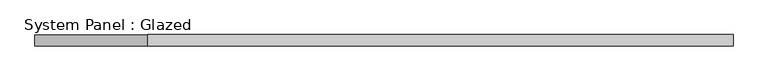
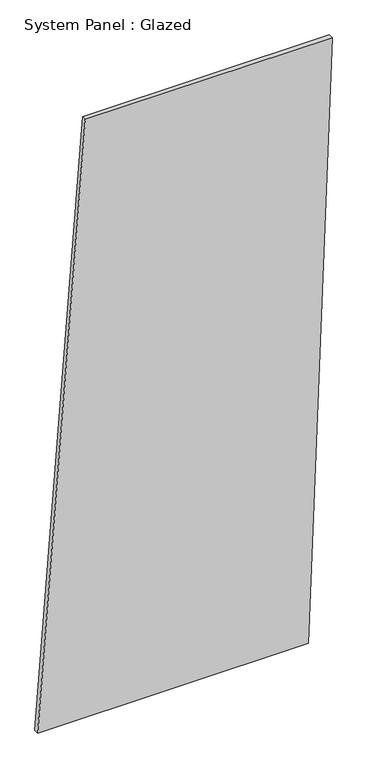
"""IFC4 building model written with IfcOpenShell, lengths in millimetres: plate geometry, System Panel : Glazed."""

import ifcopenshell
import ifcopenshell.guid

model = None  # the IFC model being written
_history = None  # IfcOwnerHistory: only IFC2X3 demands one
_inside = {}  # id of a spatial element -> (the spatial element, [elements in it])
_under = {}  # id of a project, library or spatial element -> (it, [spatial elements below it])
_declared = {}  # id of a project -> (the project, [libraries it declares])
_typed = {}  # id of a type object -> (the type object, [elements of that type])
_made_of = {}  # id of a material, layer set ... -> (it, [elements and type objects made of it])


def new_model(schema):
    """Start an empty IFC model of exactly this schema.

    Asked for "IFC4X3", IfcOpenShell would pick the latest addendum, in which some entities
    have other attributes; the version numbers below select the first issue.
    IFC2X3 requires an IfcOwnerHistory on every rooted entity: one is made here for all.
    """
    global model, _history
    if schema == "IFC4X3":
        model = ifcopenshell.file(schema_version=(4, 3, 0, 0))
    else:
        model = ifcopenshell.file(schema=schema)
    _inside.clear()
    _under.clear()
    _declared.clear()
    _typed.clear()
    _made_of.clear()
    _history = None
    if model.schema == "IFC2X3":
        org = make("IfcOrganization", Name="unknown")
        user = make(
            "IfcPersonAndOrganization",
            ThePerson=make("IfcPerson", FamilyName="unknown"),
            TheOrganization=org,
        )
        app = make(
            "IfcApplication",
            ApplicationDeveloper=org,
            Version="unknown",
            ApplicationFullName="unknown",
            ApplicationIdentifier="unknown",
        )
        _history = make(
            "IfcOwnerHistory",
            OwningUser=user,
            OwningApplication=app,
            ChangeAction="ADDED",
            CreationDate=0,
        )
    return model


def make(cls, **values):
    """One entity of the class cls with the attributes given. An attribute that is None is left unset."""
    return model.create_entity(
        cls, **{name: value for name, value in values.items() if value is not None}
    )


def rooted(cls, **values):
    """An entity with a GlobalId (a new one), such as an element, a storey or a relation."""
    return make(cls, GlobalId=ifcopenshell.guid.new(), OwnerHistory=_history, **values)


def si_unit(unit_type, name, prefix=None):
    """IfcSIUnit, for example si_unit("LENGTHUNIT", "METRE", prefix="MILLI")."""
    return make("IfcSIUnit", UnitType=unit_type, Prefix=prefix, Name=name)


def assignment(units):
    """IfcUnitAssignment: the units of a project."""
    return None if units is None else make("IfcUnitAssignment", Units=units)


def point(xyz):
    """IfcCartesianPoint."""
    return None if xyz is None else make("IfcCartesianPoint", Coordinates=xyz)


def direction(xyz):
    """IfcDirection."""
    return None if xyz is None else make("IfcDirection", DirectionRatios=xyz)


def frame(location, z_axis=None, x_axis=None):
    """IfcAxis2Placement3D, a coordinate frame: its origin and axes. An axis left out is left unset."""
    return make(
        "IfcAxis2Placement3D",
        Location=point(location),
        Axis=direction(z_axis),
        RefDirection=direction(x_axis),
    )


def origin():
    """The frame at (0, 0, 0) with its axes left unset."""
    return frame((0.0, 0.0, 0.0))


def place(relative_to, where):
    """IfcLocalPlacement: puts the frame where relative to a parent placement (None: the world)."""
    return make(
        "IfcLocalPlacement", PlacementRelTo=relative_to, RelativePlacement=where
    )


def context(
    kind, dimensions, precision=None, world=None, true_north=None, identifier=None
):
    """IfcGeometricRepresentationContext, for example the 3D "Model" context."""
    return make(
        "IfcGeometricRepresentationContext",
        ContextIdentifier=identifier,
        ContextType=kind,
        CoordinateSpaceDimension=dimensions,
        Precision=precision,
        WorldCoordinateSystem=world,
        TrueNorth=true_north,
    )


def project(units=None, contexts=None):
    """IfcProject with its units and contexts."""
    return rooted(
        "IfcProject",
        Name="project",
        RepresentationContexts=contexts,
        UnitsInContext=assignment(units),
    )


def spatial(cls, under=None, at=None, **own):
    """A site, building, storey or space (cls), placed at a placement, below another one or the project."""
    s = rooted(cls, ObjectPlacement=at, **own)
    if under is not None:
        _under.setdefault(under.id(), (under, []))[1].append(s)
    return s


def polyline(points):
    """IfcPolyline through the points."""
    return make("IfcPolyline", Points=[point(p) for p in points])


def outline(outer, holes=None, kind="AREA"):
    """IfcArbitraryClosedProfileDef: a profile drawn as a closed curve; with holes, ...WithVoids."""
    if holes is None:
        return make("IfcArbitraryClosedProfileDef", ProfileType=kind, OuterCurve=outer)
    return make(
        "IfcArbitraryProfileDefWithVoids",
        ProfileType=kind,
        OuterCurve=outer,
        InnerCurves=holes,
    )


def extrude(swept, where, along, depth):
    """IfcExtrudedAreaSolid: the profile swept, set in the frame where, extruded along a direction by depth."""
    return make(
        "IfcExtrudedAreaSolid",
        SweptArea=swept,
        Position=where,
        ExtrudedDirection=direction(along),
        Depth=depth,
    )


def shape(context_of_items, identifier, shape_type, items):
    """IfcShapeRepresentation: the items that make up one representation, for example the "Body"."""
    return make(
        "IfcShapeRepresentation",
        ContextOfItems=context_of_items,
        RepresentationIdentifier=identifier,
        RepresentationType=shape_type,
        Items=items,
    )


def source(mapping_origin, context_of_items, identifier, shape_type, items):
    """IfcRepresentationMap: a shape defined once, which mapped items show again and again."""
    return make(
        "IfcRepresentationMap",
        MappingOrigin=mapping_origin,
        MappedRepresentation=shape(context_of_items, identifier, shape_type, items),
    )


def transform(
    local_origin,
    x_axis=None,
    y_axis=None,
    z_axis=None,
    scale=None,
    scale2=None,
    scale3=None,
    uniform=True,
):
    """IfcCartesianTransformationOperator3D, or its non-uniform kind. x_axis, y_axis, z_axis: its Axis1, 2, 3."""
    if uniform:
        return make(
            "IfcCartesianTransformationOperator3D",
            Axis1=direction(x_axis),
            Axis2=direction(y_axis),
            LocalOrigin=point(local_origin),
            Scale=scale,
            Axis3=direction(z_axis),
        )
    return make(
        "IfcCartesianTransformationOperator3DnonUniform",
        Axis1=direction(x_axis),
        Axis2=direction(y_axis),
        LocalOrigin=point(local_origin),
        Scale=scale,
        Axis3=direction(z_axis),
        Scale2=scale2,
        Scale3=scale3,
    )


def mapped(mapping_source, mapping_target):
    """IfcMappedItem: shows the shape of a source again, moved by a transform."""
    return make(
        "IfcMappedItem", MappingSource=mapping_source, MappingTarget=mapping_target
    )


def made_of(thing, what):
    """Note that an element or type object is made of a material, layer set ...; save() writes the relation."""
    if what is not None:
        _made_of.setdefault(what.id(), (what, []))[1].append(thing)
    return thing


def element(
    cls,
    number,
    at=None,
    inside=None,
    cuts=None,
    type_object=None,
    material=None,
    context=None,
    identifier="Body",
    shape_type=None,
    held_by="IfcProductDefinitionShape",
    body=None,
    shapes=None,
    **own,
):
    """One element of the class cls, such as IfcWall. Its Tag is "e" and its number.

    at: its placement. inside: the storey or other place that contains it. cuts: it is an
    opening in that element (IfcRelVoidsElement). A single representation is given by context,
    identifier, shape_type and body (its items); several are given by shapes. held_by: the class
    of the entity that holds the representations. save() writes the other relations.
    """
    e = rooted(cls, Tag="e%d" % number, ObjectPlacement=at, **own)
    if body is not None:
        shapes = [shape(context, identifier, shape_type, body)]
    if shapes is not None:
        e.Representation = make(held_by, Representations=shapes)
    if inside is not None:
        _inside.setdefault(inside.id(), (inside, []))[1].append(e)
    if cuts is not None:
        rooted(
            "IfcRelVoidsElement", RelatingBuildingElement=cuts, RelatedOpeningElement=e
        )
    if type_object is not None:
        _typed.setdefault(type_object.id(), (type_object, []))[1].append(e)
    return made_of(e, material)


def aggregate(whole, parts):
    """IfcRelAggregates: a whole, such as a stair, and the parts it consists of."""
    return rooted("IfcRelAggregates", RelatingObject=whole, RelatedObjects=parts)


def save(model, path):
    """Write the relations noted so far, then the file.

    IfcRelAggregates (storeys below a building ...), IfcRelContainedInSpatialStructure (elements
    in a storey), IfcRelDefinesByType, IfcRelAssociatesMaterial and IfcRelDeclares: one each for
    every whole, place, type object, material and project.
    """
    for whole, parts in _under.values():
        aggregate(whole, parts)
    for where, things in _inside.values():
        rooted(
            "IfcRelContainedInSpatialStructure",
            RelatedElements=things,
            RelatingStructure=where,
        )
    for kind, things in _typed.values():
        rooted("IfcRelDefinesByType", RelatedObjects=things, RelatingType=kind)
    for what, things in _made_of.values():
        rooted("IfcRelAssociatesMaterial", RelatedObjects=things, RelatingMaterial=what)
    for by, libraries in _declared.values():
        rooted("IfcRelDeclares", RelatingContext=by, RelatedDefinitions=libraries)
    model.write(path)


def system_panel_glazed_e30defb4(model_context):
    return source(origin(), model_context, "Body", "SweptSolid", [
        extrude(outline(polyline([(0.0, -777.6772931), (0.0, 651.89846), (3333.2590354, 777.6772931), (3333.2590354, -526.1196269), (0.0, -777.6772931)])), frame((0.0, -49.5, 0.0), z_axis=(0.0, 1.0, 0.0), x_axis=(0.0, 0.0, 1.0)), (0.0, 0.0, 1.0), 25.0),
    ])


if __name__ == "__main__":
    model = new_model("IFC4")
    model_context = context("Model", 3, world=origin())
    ifc_project = project(units=[si_unit("LENGTHUNIT", "METRE", prefix="MILLI")], contexts=[model_context])
    site = spatial("IfcSite", under=ifc_project)
    building = spatial("IfcBuilding", under=site)
    placement = place(None, origin())
    system_panel_glazed_shape = system_panel_glazed_e30defb4(model_context)
    element("IfcPlate", 1, ObjectType="System Panel : Glazed", at=placement, inside=building, context=model_context, shape_type="MappedRepresentation", body=[
        mapped(system_panel_glazed_shape, transform((0.0, 0.0, 0.0), x_axis=(1.0, 0.0, 0.0), y_axis=(0.0, 1.0, 0.0), z_axis=(0.0, 0.0, 1.0))),
    ])
    save(model, "model.ifc")
